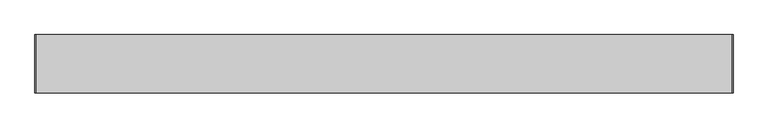
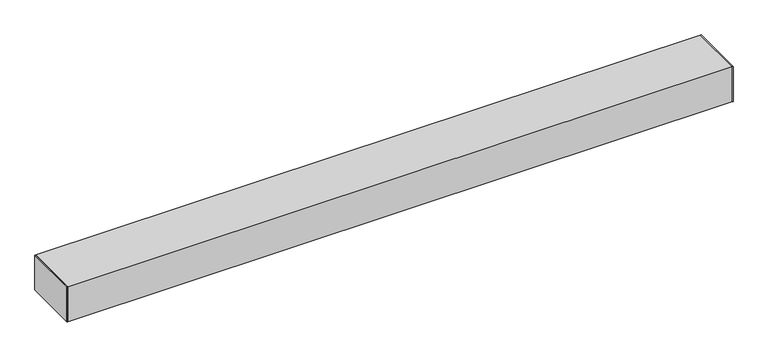
"""IFC4 building model written with IfcOpenShell, lengths in millimetres: proxy geometry."""

from ifc_helpers import new_model, si_unit, frame, origin, origin_with_axes, place, context, project, spatial, polyline, outline, extrude, source, transform, mapped, element, save


def generic_models_e8eba0ed(model_context):
    return source(origin(), model_context, "Body", "SweptSolid", [
        extrude(outline(polyline([(0.0, -76.2), (0.0, 76.2), (1.651, 76.2), (1.651, -76.2), (0.0, -76.2)])), origin_with_axes(), (0.0, 0.0, 1.0), 101.32),
        extrude(outline(polyline([(1828.8, -76.2), (1827.149, -76.2), (1827.149, 76.2), (1828.8, 76.2), (1828.8, -76.2)])), origin_with_axes(), (0.0, 0.0, 1.0), 101.32),
        extrude(outline(polyline([(-76.2, 0.0), (-76.2, 101.32), (76.2, 101.32), (76.2, 0.0), (-76.2, 0.0)]), holes=[polyline([(74.25, 1.65), (74.25, 99.67), (-74.25, 99.67), (-74.25, 1.65), (74.25, 1.65)])]), frame((1.651, 0.0, 0.0), z_axis=(1.0, 0.0, 0.0), x_axis=(0.0, 1.0, 0.0)), (0.0, 0.0, 1.0), 1825.498),
    ])


if __name__ == "__main__":
    model = new_model("IFC4")
    model_context = context("Model", 3, world=origin())
    ifc_project = project(units=[si_unit("LENGTHUNIT", "METRE", prefix="MILLI")], contexts=[model_context])
    site = spatial("IfcSite", under=ifc_project)
    building = spatial("IfcBuilding", under=site)
    placement = place(None, origin())
    generic_models_shape = generic_models_e8eba0ed(model_context)
    element("IfcBuildingElementProxy", 1, Name="Generic Models", at=placement, inside=building, context=model_context, shape_type="MappedRepresentation", body=[
        mapped(generic_models_shape, transform((0.0, 0.0, 0.0), x_axis=(1.0, 0.0, 0.0), y_axis=(0.0, 1.0, 0.0), z_axis=(0.0, 0.0, 1.0))),
    ])
    save(model, "model.ifc")
